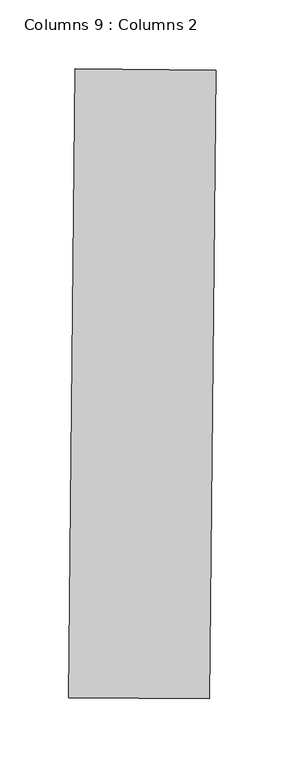
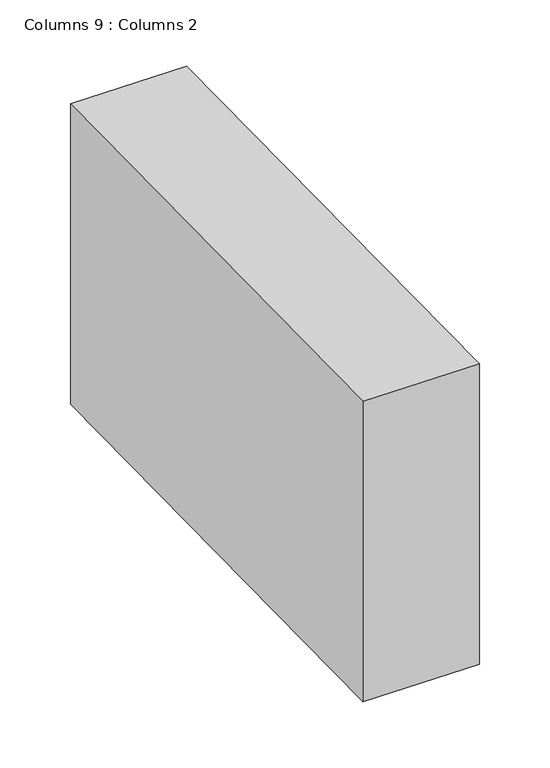
"""IFC4 building model written with IfcOpenShell, lengths in millimetres: column geometry, Columns 9 : Columns 2."""

from ifc_helpers import new_model, si_unit, frame, origin, place, context, project, spatial, polyline, outline, extrude, source, transform, mapped, element, save


def columns_9_columns_2_712780c2(model_context):
    return source(origin(), model_context, "Body", "SweptSolid", [
        extrude(outline(polyline([(-40906.6931471, 39161.2181494), (-40902.1197642, 39617.0319852), (-40800.0252017, 39616.007625), (-40804.5985846, 39160.1937893), (-40906.6931471, 39161.2181494)])), frame((0.0, 0.0, 108514.2514442), z_axis=(0.0, 0.0, 1.0), x_axis=(1.0, 0.0, 0.0)), (0.0, 0.0, 1.0), 280.6814224),
    ])


if __name__ == "__main__":
    model = new_model("IFC4")
    model_context = context("Model", 3, world=origin())
    ifc_project = project(units=[si_unit("LENGTHUNIT", "METRE", prefix="MILLI")], contexts=[model_context])
    site = spatial("IfcSite", under=ifc_project)
    building = spatial("IfcBuilding", under=site)
    placement = place(None, origin())
    columns_9_columns_2_shape = columns_9_columns_2_712780c2(model_context)
    element("IfcColumn", 1, ObjectType="Columns 9 : Columns 2", at=placement, inside=building, context=model_context, shape_type="MappedRepresentation", body=[
        mapped(columns_9_columns_2_shape, transform((0.0, 0.0, 0.0), x_axis=(1.0, 0.0, 0.0), y_axis=(0.0, 1.0, 0.0), z_axis=(0.0, 0.0, 1.0))),
    ])
    save(model, "model.ifc")
